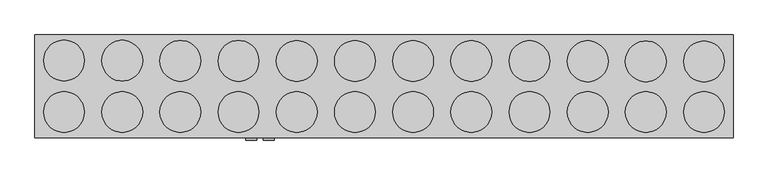
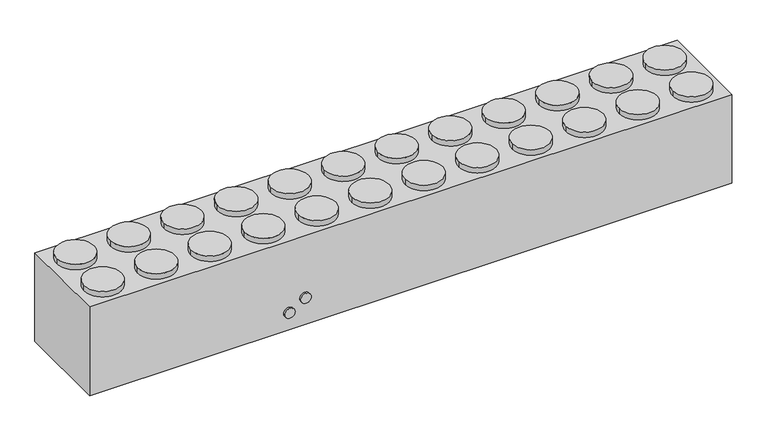
"""IFC4 building model written with IfcOpenShell, lengths in millimetres: proxy geometry."""

import ifcopenshell
import ifcopenshell.guid

model = None  # the IFC model being written
_history = None  # IfcOwnerHistory: only IFC2X3 demands one
_inside = {}  # id of a spatial element -> (the spatial element, [elements in it])
_under = {}  # id of a project, library or spatial element -> (it, [spatial elements below it])
_declared = {}  # id of a project -> (the project, [libraries it declares])
_typed = {}  # id of a type object -> (the type object, [elements of that type])
_made_of = {}  # id of a material, layer set ... -> (it, [elements and type objects made of it])


def new_model(schema):
    """Start an empty IFC model of exactly this schema.

    Asked for "IFC4X3", IfcOpenShell would pick the latest addendum, in which some entities
    have other attributes; the version numbers below select the first issue.
    IFC2X3 requires an IfcOwnerHistory on every rooted entity: one is made here for all.
    """
    global model, _history
    if schema == "IFC4X3":
        model = ifcopenshell.file(schema_version=(4, 3, 0, 0))
    else:
        model = ifcopenshell.file(schema=schema)
    _inside.clear()
    _under.clear()
    _declared.clear()
    _typed.clear()
    _made_of.clear()
    _history = None
    if model.schema == "IFC2X3":
        org = make("IfcOrganization", Name="unknown")
        user = make(
            "IfcPersonAndOrganization",
            ThePerson=make("IfcPerson", FamilyName="unknown"),
            TheOrganization=org,
        )
        app = make(
            "IfcApplication",
            ApplicationDeveloper=org,
            Version="unknown",
            ApplicationFullName="unknown",
            ApplicationIdentifier="unknown",
        )
        _history = make(
            "IfcOwnerHistory",
            OwningUser=user,
            OwningApplication=app,
            ChangeAction="ADDED",
            CreationDate=0,
        )
    return model


def make(cls, **values):
    """One entity of the class cls with the attributes given. An attribute that is None is left unset."""
    return model.create_entity(
        cls, **{name: value for name, value in values.items() if value is not None}
    )


def rooted(cls, **values):
    """An entity with a GlobalId (a new one), such as an element, a storey or a relation."""
    return make(cls, GlobalId=ifcopenshell.guid.new(), OwnerHistory=_history, **values)


def si_unit(unit_type, name, prefix=None):
    """IfcSIUnit, for example si_unit("LENGTHUNIT", "METRE", prefix="MILLI")."""
    return make("IfcSIUnit", UnitType=unit_type, Prefix=prefix, Name=name)


def assignment(units):
    """IfcUnitAssignment: the units of a project."""
    return None if units is None else make("IfcUnitAssignment", Units=units)


def point(xyz):
    """IfcCartesianPoint."""
    return None if xyz is None else make("IfcCartesianPoint", Coordinates=xyz)


def direction(xyz):
    """IfcDirection."""
    return None if xyz is None else make("IfcDirection", DirectionRatios=xyz)


def frame(location, z_axis=None, x_axis=None):
    """IfcAxis2Placement3D, a coordinate frame: its origin and axes. An axis left out is left unset."""
    return make(
        "IfcAxis2Placement3D",
        Location=point(location),
        Axis=direction(z_axis),
        RefDirection=direction(x_axis),
    )


def frame_2d(location, x_axis=None):
    """IfcAxis2Placement2D, a coordinate frame in the plane: its origin and x axis."""
    return make(
        "IfcAxis2Placement2D", Location=point(location), RefDirection=direction(x_axis)
    )


def origin():
    """The frame at (0, 0, 0) with its axes left unset."""
    return frame((0.0, 0.0, 0.0))


def origin_with_axes():
    """The frame at (0, 0, 0) with the z axis (0, 0, 1) and the x axis (1, 0, 0) written out."""
    return frame((0.0, 0.0, 0.0), z_axis=(0.0, 0.0, 1.0), x_axis=(1.0, 0.0, 0.0))


def place(relative_to, where):
    """IfcLocalPlacement: puts the frame where relative to a parent placement (None: the world)."""
    return make(
        "IfcLocalPlacement", PlacementRelTo=relative_to, RelativePlacement=where
    )


def context(
    kind, dimensions, precision=None, world=None, true_north=None, identifier=None
):
    """IfcGeometricRepresentationContext, for example the 3D "Model" context."""
    return make(
        "IfcGeometricRepresentationContext",
        ContextIdentifier=identifier,
        ContextType=kind,
        CoordinateSpaceDimension=dimensions,
        Precision=precision,
        WorldCoordinateSystem=world,
        TrueNorth=true_north,
    )


def project(units=None, contexts=None):
    """IfcProject with its units and contexts."""
    return rooted(
        "IfcProject",
        Name="project",
        RepresentationContexts=contexts,
        UnitsInContext=assignment(units),
    )


def spatial(cls, under=None, at=None, **own):
    """A site, building, storey or space (cls), placed at a placement, below another one or the project."""
    s = rooted(cls, ObjectPlacement=at, **own)
    if under is not None:
        _under.setdefault(under.id(), (under, []))[1].append(s)
    return s


def polyline(points):
    """IfcPolyline through the points."""
    return make("IfcPolyline", Points=[point(p) for p in points])


def circle_curve(where, radius):
    """IfcCircle in the frame where."""
    return make("IfcCircle", Position=where, Radius=radius)


def trimmed(basis, trim1, trim2, sense, master):
    """IfcTrimmedCurve: the piece of a basis curve between two trims."""
    return make(
        "IfcTrimmedCurve",
        BasisCurve=basis,
        Trim1=trim1,
        Trim2=trim2,
        SenseAgreement=sense,
        MasterRepresentation=master,
    )


def segment(curve, same_sense, transition):
    """IfcCompositeCurveSegment."""
    return make(
        "IfcCompositeCurveSegment",
        Transition=transition,
        SameSense=same_sense,
        ParentCurve=curve,
    )


def composite_curve(segments, self_intersect=None):
    """IfcCompositeCurve: segments joined end to end."""
    return make("IfcCompositeCurve", Segments=segments, SelfIntersect=self_intersect)


def outline(outer, holes=None, kind="AREA"):
    """IfcArbitraryClosedProfileDef: a profile drawn as a closed curve; with holes, ...WithVoids."""
    if holes is None:
        return make("IfcArbitraryClosedProfileDef", ProfileType=kind, OuterCurve=outer)
    return make(
        "IfcArbitraryProfileDefWithVoids",
        ProfileType=kind,
        OuterCurve=outer,
        InnerCurves=holes,
    )


def extrude(swept, where, along, depth):
    """IfcExtrudedAreaSolid: the profile swept, set in the frame where, extruded along a direction by depth."""
    return make(
        "IfcExtrudedAreaSolid",
        SweptArea=swept,
        Position=where,
        ExtrudedDirection=direction(along),
        Depth=depth,
    )


def shape(context_of_items, identifier, shape_type, items):
    """IfcShapeRepresentation: the items that make up one representation, for example the "Body"."""
    return make(
        "IfcShapeRepresentation",
        ContextOfItems=context_of_items,
        RepresentationIdentifier=identifier,
        RepresentationType=shape_type,
        Items=items,
    )


def source(mapping_origin, context_of_items, identifier, shape_type, items):
    """IfcRepresentationMap: a shape defined once, which mapped items show again and again."""
    return make(
        "IfcRepresentationMap",
        MappingOrigin=mapping_origin,
        MappedRepresentation=shape(context_of_items, identifier, shape_type, items),
    )


def transform(
    local_origin,
    x_axis=None,
    y_axis=None,
    z_axis=None,
    scale=None,
    scale2=None,
    scale3=None,
    uniform=True,
):
    """IfcCartesianTransformationOperator3D, or its non-uniform kind. x_axis, y_axis, z_axis: its Axis1, 2, 3."""
    if uniform:
        return make(
            "IfcCartesianTransformationOperator3D",
            Axis1=direction(x_axis),
            Axis2=direction(y_axis),
            LocalOrigin=point(local_origin),
            Scale=scale,
            Axis3=direction(z_axis),
        )
    return make(
        "IfcCartesianTransformationOperator3DnonUniform",
        Axis1=direction(x_axis),
        Axis2=direction(y_axis),
        LocalOrigin=point(local_origin),
        Scale=scale,
        Axis3=direction(z_axis),
        Scale2=scale2,
        Scale3=scale3,
    )


def mapped(mapping_source, mapping_target):
    """IfcMappedItem: shows the shape of a source again, moved by a transform."""
    return make(
        "IfcMappedItem", MappingSource=mapping_source, MappingTarget=mapping_target
    )


def made_of(thing, what):
    """Note that an element or type object is made of a material, layer set ...; save() writes the relation."""
    if what is not None:
        _made_of.setdefault(what.id(), (what, []))[1].append(thing)
    return thing


def element(
    cls,
    number,
    at=None,
    inside=None,
    cuts=None,
    type_object=None,
    material=None,
    context=None,
    identifier="Body",
    shape_type=None,
    held_by="IfcProductDefinitionShape",
    body=None,
    shapes=None,
    **own,
):
    """One element of the class cls, such as IfcWall. Its Tag is "e" and its number.

    at: its placement. inside: the storey or other place that contains it. cuts: it is an
    opening in that element (IfcRelVoidsElement). A single representation is given by context,
    identifier, shape_type and body (its items); several are given by shapes. held_by: the class
    of the entity that holds the representations. save() writes the other relations.
    """
    e = rooted(cls, Tag="e%d" % number, ObjectPlacement=at, **own)
    if body is not None:
        shapes = [shape(context, identifier, shape_type, body)]
    if shapes is not None:
        e.Representation = make(held_by, Representations=shapes)
    if inside is not None:
        _inside.setdefault(inside.id(), (inside, []))[1].append(e)
    if cuts is not None:
        rooted(
            "IfcRelVoidsElement", RelatingBuildingElement=cuts, RelatedOpeningElement=e
        )
    if type_object is not None:
        _typed.setdefault(type_object.id(), (type_object, []))[1].append(e)
    return made_of(e, material)


def aggregate(whole, parts):
    """IfcRelAggregates: a whole, such as a stair, and the parts it consists of."""
    return rooted("IfcRelAggregates", RelatingObject=whole, RelatedObjects=parts)


def save(model, path):
    """Write the relations noted so far, then the file.

    IfcRelAggregates (storeys below a building ...), IfcRelContainedInSpatialStructure (elements
    in a storey), IfcRelDefinesByType, IfcRelAssociatesMaterial and IfcRelDeclares: one each for
    every whole, place, type object, material and project.
    """
    for whole, parts in _under.values():
        aggregate(whole, parts)
    for where, things in _inside.values():
        rooted(
            "IfcRelContainedInSpatialStructure",
            RelatedElements=things,
            RelatingStructure=where,
        )
    for kind, things in _typed.values():
        rooted("IfcRelDefinesByType", RelatedObjects=things, RelatingType=kind)
    for what, things in _made_of.values():
        rooted("IfcRelAssociatesMaterial", RelatedObjects=things, RelatingMaterial=what)
    for by, libraries in _declared.values():
        rooted("IfcRelDeclares", RelatingContext=by, RelatedDefinitions=libraries)
    model.write(path)


def mechanical_equipment_2e95bd6b(model_context):
    return source(origin(), model_context, "Body", "SweptSolid", [
        extrude(outline(composite_curve([segment(trimmed(circle_curve(frame_2d((10676.7876345, -415.039732)), 457.2), [point((10219.5876345, -415.039732))], [point((11133.9876345, -415.039732))], False, "CARTESIAN"), True, "CONTINUOUS"), segment(trimmed(circle_curve(frame_2d((10676.7876345, -415.039732)), 457.2), [point((11133.9876345, -415.039732))], [point((10219.5876345, -415.039732))], False, "CARTESIAN"), True, "CONTINUOUS")], self_intersect=False)), frame((0.0, 0.0, 2286.0), z_axis=(0.0, 0.0, 1.0), x_axis=(1.0, 0.0, 0.0)), (0.0, 0.0, 1.0), 141.2875),
        extrude(outline(composite_curve([segment(trimmed(circle_curve(frame_2d((9371.0688845, -415.039732)), 457.2), [point((8913.8688845, -415.039732))], [point((9828.2688845, -415.039732))], False, "CARTESIAN"), True, "CONTINUOUS"), segment(trimmed(circle_curve(frame_2d((9371.0688845, -415.039732)), 457.2), [point((9828.2688845, -415.039732))], [point((8913.8688845, -415.039732))], False, "CARTESIAN"), True, "CONTINUOUS")], self_intersect=False)), frame((0.0, 0.0, 2286.0), z_axis=(0.0, 0.0, 1.0), x_axis=(1.0, 0.0, 0.0)), (0.0, 0.0, 1.0), 141.2875),
        extrude(outline(composite_curve([segment(trimmed(circle_curve(frame_2d((8065.3501345, -415.039732)), 457.2), [point((7608.1501345, -415.039732))], [point((8522.5501345, -415.039732))], False, "CARTESIAN"), True, "CONTINUOUS"), segment(trimmed(circle_curve(frame_2d((8065.3501345, -415.039732)), 457.2), [point((8522.5501345, -415.039732))], [point((7608.1501345, -415.039732))], False, "CARTESIAN"), True, "CONTINUOUS")], self_intersect=False)), frame((0.0, 0.0, 2286.0), z_axis=(0.0, 0.0, 1.0), x_axis=(1.0, 0.0, 0.0)), (0.0, 0.0, 1.0), 141.2875),
        extrude(outline(composite_curve([segment(trimmed(circle_curve(frame_2d((10676.7876345, 721.610268)), 457.2), [point((10219.5876345, 721.610268))], [point((11133.9876345, 721.610268))], False, "CARTESIAN"), True, "CONTINUOUS"), segment(trimmed(circle_curve(frame_2d((10676.7876345, 721.610268)), 457.2), [point((11133.9876345, 721.610268))], [point((10219.5876345, 721.610268))], False, "CARTESIAN"), True, "CONTINUOUS")], self_intersect=False)), frame((0.0, 0.0, 2286.0), z_axis=(0.0, 0.0, 1.0), x_axis=(1.0, 0.0, 0.0)), (0.0, 0.0, 1.0), 141.2875),
        extrude(outline(composite_curve([segment(trimmed(circle_curve(frame_2d((9371.0688845, 723.197768)), 457.2), [point((8913.8688845, 723.197768))], [point((9828.2688845, 723.197768))], False, "CARTESIAN"), True, "CONTINUOUS"), segment(trimmed(circle_curve(frame_2d((9371.0688845, 723.197768)), 457.2), [point((9828.2688845, 723.197768))], [point((8913.8688845, 723.197768))], False, "CARTESIAN"), True, "CONTINUOUS")], self_intersect=False)), frame((0.0, 0.0, 2286.0), z_axis=(0.0, 0.0, 1.0), x_axis=(1.0, 0.0, 0.0)), (0.0, 0.0, 1.0), 141.2875),
        extrude(outline(composite_curve([segment(trimmed(circle_curve(frame_2d((8065.3501345, 724.785268)), 457.2), [point((7608.1501345, 724.785268))], [point((8522.5501345, 724.785268))], False, "CARTESIAN"), True, "CONTINUOUS"), segment(trimmed(circle_curve(frame_2d((8065.3501345, 724.785268)), 457.2), [point((8522.5501345, 724.785268))], [point((7608.1501345, 724.785268))], False, "CARTESIAN"), True, "CONTINUOUS")], self_intersect=False)), frame((0.0, 0.0, 2286.0), z_axis=(0.0, 0.0, 1.0), x_axis=(1.0, 0.0, 0.0)), (0.0, 0.0, 1.0), 141.2875),
        extrude(outline(composite_curve([segment(trimmed(circle_curve(frame_2d((6759.6313845, -415.039732)), 457.2), [point((6302.4313845, -415.039732))], [point((7216.8313845, -415.039732))], False, "CARTESIAN"), True, "CONTINUOUS"), segment(trimmed(circle_curve(frame_2d((6759.6313845, -415.039732)), 457.2), [point((7216.8313845, -415.039732))], [point((6302.4313845, -415.039732))], False, "CARTESIAN"), True, "CONTINUOUS")], self_intersect=False)), frame((0.0, 0.0, 2286.0), z_axis=(0.0, 0.0, 1.0), x_axis=(1.0, 0.0, 0.0)), (0.0, 0.0, 1.0), 141.2875),
        extrude(outline(composite_curve([segment(trimmed(circle_curve(frame_2d((5453.9126345, -415.039732)), 457.2), [point((4996.7126345, -415.039732))], [point((5911.1126345, -415.039732))], False, "CARTESIAN"), True, "CONTINUOUS"), segment(trimmed(circle_curve(frame_2d((5453.9126345, -415.039732)), 457.2), [point((5911.1126345, -415.039732))], [point((4996.7126345, -415.039732))], False, "CARTESIAN"), True, "CONTINUOUS")], self_intersect=False)), frame((0.0, 0.0, 2286.0), z_axis=(0.0, 0.0, 1.0), x_axis=(1.0, 0.0, 0.0)), (0.0, 0.0, 1.0), 141.2875),
        extrude(outline(composite_curve([segment(trimmed(circle_curve(frame_2d((4148.1938845, -415.039732)), 457.2), [point((3690.9938845, -415.039732))], [point((4605.3938845, -415.039732))], False, "CARTESIAN"), True, "CONTINUOUS"), segment(trimmed(circle_curve(frame_2d((4148.1938845, -415.039732)), 457.2), [point((4605.3938845, -415.039732))], [point((3690.9938845, -415.039732))], False, "CARTESIAN"), True, "CONTINUOUS")], self_intersect=False)), frame((0.0, 0.0, 2286.0), z_axis=(0.0, 0.0, 1.0), x_axis=(1.0, 0.0, 0.0)), (0.0, 0.0, 1.0), 141.2875),
        extrude(outline(composite_curve([segment(trimmed(circle_curve(frame_2d((2842.4751345, -415.039732)), 457.2), [point((2385.2751345, -415.039732))], [point((3299.6751345, -415.039732))], False, "CARTESIAN"), True, "CONTINUOUS"), segment(trimmed(circle_curve(frame_2d((2842.4751345, -415.039732)), 457.2), [point((3299.6751345, -415.039732))], [point((2385.2751345, -415.039732))], False, "CARTESIAN"), True, "CONTINUOUS")], self_intersect=False)), frame((0.0, 0.0, 2286.0), z_axis=(0.0, 0.0, 1.0), x_axis=(1.0, 0.0, 0.0)), (0.0, 0.0, 1.0), 141.2875),
        extrude(outline(composite_curve([segment(trimmed(circle_curve(frame_2d((1536.7563845, -415.039732)), 457.2), [point((1079.5563845, -415.039732))], [point((1993.9563845, -415.039732))], False, "CARTESIAN"), True, "CONTINUOUS"), segment(trimmed(circle_curve(frame_2d((1536.7563845, -415.039732)), 457.2), [point((1993.9563845, -415.039732))], [point((1079.5563845, -415.039732))], False, "CARTESIAN"), True, "CONTINUOUS")], self_intersect=False)), frame((0.0, 0.0, 2286.0), z_axis=(0.0, 0.0, 1.0), x_axis=(1.0, 0.0, 0.0)), (0.0, 0.0, 1.0), 141.2875),
        extrude(outline(composite_curve([segment(trimmed(circle_curve(frame_2d((231.0376345, -415.039732)), 457.2), [point((-226.1623655, -415.039732))], [point((688.2376345, -415.039732))], False, "CARTESIAN"), True, "CONTINUOUS"), segment(trimmed(circle_curve(frame_2d((231.0376345, -415.039732)), 457.2), [point((688.2376345, -415.039732))], [point((-226.1623655, -415.039732))], False, "CARTESIAN"), True, "CONTINUOUS")], self_intersect=False)), frame((0.0, 0.0, 2286.0), z_axis=(0.0, 0.0, 1.0), x_axis=(1.0, 0.0, 0.0)), (0.0, 0.0, 1.0), 141.2875),
        extrude(outline(composite_curve([segment(trimmed(circle_curve(frame_2d((-1074.6811155, -415.039732)), 457.2), [point((-1531.8811155, -415.039732))], [point((-617.4811155, -415.039732))], False, "CARTESIAN"), True, "CONTINUOUS"), segment(trimmed(circle_curve(frame_2d((-1074.6811155, -415.039732)), 457.2), [point((-617.4811155, -415.039732))], [point((-1531.8811155, -415.039732))], False, "CARTESIAN"), True, "CONTINUOUS")], self_intersect=False)), frame((0.0, 0.0, 2286.0), z_axis=(0.0, 0.0, 1.0), x_axis=(1.0, 0.0, 0.0)), (0.0, 0.0, 1.0), 141.2875),
        extrude(outline(composite_curve([segment(trimmed(circle_curve(frame_2d((-2380.3998655, -415.039732)), 457.2), [point((-2837.5998655, -415.039732))], [point((-1923.1998655, -415.039732))], False, "CARTESIAN"), True, "CONTINUOUS"), segment(trimmed(circle_curve(frame_2d((-2380.3998655, -415.039732)), 457.2), [point((-1923.1998655, -415.039732))], [point((-2837.5998655, -415.039732))], False, "CARTESIAN"), True, "CONTINUOUS")], self_intersect=False)), frame((0.0, 0.0, 2286.0), z_axis=(0.0, 0.0, 1.0), x_axis=(1.0, 0.0, 0.0)), (0.0, 0.0, 1.0), 141.2875),
        extrude(outline(composite_curve([segment(trimmed(circle_curve(frame_2d((-3686.1186155, -415.039732)), 457.2), [point((-4143.3186155, -415.039732))], [point((-3228.9186155, -415.039732))], False, "CARTESIAN"), True, "CONTINUOUS"), segment(trimmed(circle_curve(frame_2d((-3686.1186155, -415.039732)), 457.2), [point((-3228.9186155, -415.039732))], [point((-4143.3186155, -415.039732))], False, "CARTESIAN"), True, "CONTINUOUS")], self_intersect=False)), frame((0.0, 0.0, 2286.0), z_axis=(0.0, 0.0, 1.0), x_axis=(1.0, 0.0, 0.0)), (0.0, 0.0, 1.0), 141.2875),
        extrude(outline(composite_curve([segment(trimmed(circle_curve(frame_2d((6759.6313845, 726.372768)), 457.2), [point((6302.4313845, 726.372768))], [point((7216.8313845, 726.372768))], False, "CARTESIAN"), True, "CONTINUOUS"), segment(trimmed(circle_curve(frame_2d((6759.6313845, 726.372768)), 457.2), [point((7216.8313845, 726.372768))], [point((6302.4313845, 726.372768))], False, "CARTESIAN"), True, "CONTINUOUS")], self_intersect=False)), frame((0.0, 0.0, 2286.0), z_axis=(0.0, 0.0, 1.0), x_axis=(1.0, 0.0, 0.0)), (0.0, 0.0, 1.0), 141.2875),
        extrude(outline(composite_curve([segment(trimmed(circle_curve(frame_2d((5453.9126345, 727.960268)), 457.2), [point((4996.7126345, 727.960268))], [point((5911.1126345, 727.960268))], False, "CARTESIAN"), True, "CONTINUOUS"), segment(trimmed(circle_curve(frame_2d((5453.9126345, 727.960268)), 457.2), [point((5911.1126345, 727.960268))], [point((4996.7126345, 727.960268))], False, "CARTESIAN"), True, "CONTINUOUS")], self_intersect=False)), frame((0.0, 0.0, 2286.0), z_axis=(0.0, 0.0, 1.0), x_axis=(1.0, 0.0, 0.0)), (0.0, 0.0, 1.0), 141.2875),
        extrude(outline(composite_curve([segment(trimmed(circle_curve(frame_2d((4148.1938845, 729.547768)), 457.2), [point((3690.9938845, 729.547768))], [point((4605.3938845, 729.547768))], False, "CARTESIAN"), True, "CONTINUOUS"), segment(trimmed(circle_curve(frame_2d((4148.1938845, 729.547768)), 457.2), [point((4605.3938845, 729.547768))], [point((3690.9938845, 729.547768))], False, "CARTESIAN"), True, "CONTINUOUS")], self_intersect=False)), frame((0.0, 0.0, 2286.0), z_axis=(0.0, 0.0, 1.0), x_axis=(1.0, 0.0, 0.0)), (0.0, 0.0, 1.0), 141.2875),
        extrude(outline(composite_curve([segment(trimmed(circle_curve(frame_2d((2842.4751345, 731.135268)), 457.2), [point((2385.2751345, 731.135268))], [point((3299.6751345, 731.135268))], False, "CARTESIAN"), True, "CONTINUOUS"), segment(trimmed(circle_curve(frame_2d((2842.4751345, 731.135268)), 457.2), [point((3299.6751345, 731.135268))], [point((2385.2751345, 731.135268))], False, "CARTESIAN"), True, "CONTINUOUS")], self_intersect=False)), frame((0.0, 0.0, 2286.0), z_axis=(0.0, 0.0, 1.0), x_axis=(1.0, 0.0, 0.0)), (0.0, 0.0, 1.0), 141.2875),
        extrude(outline(composite_curve([segment(trimmed(circle_curve(frame_2d((1536.7563845, 732.722768)), 457.2), [point((1079.5563845, 732.722768))], [point((1993.9563845, 732.722768))], False, "CARTESIAN"), True, "CONTINUOUS"), segment(trimmed(circle_curve(frame_2d((1536.7563845, 732.722768)), 457.2), [point((1993.9563845, 732.722768))], [point((1079.5563845, 732.722768))], False, "CARTESIAN"), True, "CONTINUOUS")], self_intersect=False)), frame((0.0, 0.0, 2286.0), z_axis=(0.0, 0.0, 1.0), x_axis=(1.0, 0.0, 0.0)), (0.0, 0.0, 1.0), 141.2875),
        extrude(outline(composite_curve([segment(trimmed(circle_curve(frame_2d((231.0376345, 734.310268)), 457.2), [point((-226.1623655, 734.310268))], [point((688.2376345, 734.310268))], False, "CARTESIAN"), True, "CONTINUOUS"), segment(trimmed(circle_curve(frame_2d((231.0376345, 734.310268)), 457.2), [point((688.2376345, 734.310268))], [point((-226.1623655, 734.310268))], False, "CARTESIAN"), True, "CONTINUOUS")], self_intersect=False)), frame((0.0, 0.0, 2286.0), z_axis=(0.0, 0.0, 1.0), x_axis=(1.0, 0.0, 0.0)), (0.0, 0.0, 1.0), 141.2875),
        extrude(outline(composite_curve([segment(trimmed(circle_curve(frame_2d((-1074.6811155, 735.897768)), 457.2), [point((-1531.8811155, 735.897768))], [point((-617.4811155, 735.897768))], False, "CARTESIAN"), True, "CONTINUOUS"), segment(trimmed(circle_curve(frame_2d((-1074.6811155, 735.897768)), 457.2), [point((-617.4811155, 735.897768))], [point((-1531.8811155, 735.897768))], False, "CARTESIAN"), True, "CONTINUOUS")], self_intersect=False)), frame((0.0, 0.0, 2286.0), z_axis=(0.0, 0.0, 1.0), x_axis=(1.0, 0.0, 0.0)), (0.0, 0.0, 1.0), 141.2875),
        extrude(outline(composite_curve([segment(trimmed(circle_curve(frame_2d((-2380.3998655, 737.485268)), 457.2), [point((-2837.5998655, 737.485268))], [point((-1923.1998655, 737.485268))], False, "CARTESIAN"), True, "CONTINUOUS"), segment(trimmed(circle_curve(frame_2d((-2380.3998655, 737.485268)), 457.2), [point((-1923.1998655, 737.485268))], [point((-2837.5998655, 737.485268))], False, "CARTESIAN"), True, "CONTINUOUS")], self_intersect=False)), frame((0.0, 0.0, 2286.0), z_axis=(0.0, 0.0, 1.0), x_axis=(1.0, 0.0, 0.0)), (0.0, 0.0, 1.0), 141.2875),
        extrude(outline(composite_curve([segment(trimmed(circle_curve(frame_2d((-3686.1186155, 739.072768)), 457.2), [point((-4143.3186155, 739.072768))], [point((-3228.9186155, 739.072768))], False, "CARTESIAN"), True, "CONTINUOUS"), segment(trimmed(circle_curve(frame_2d((-3686.1186155, 739.072768)), 457.2), [point((-3228.9186155, 739.072768))], [point((-4143.3186155, 739.072768))], False, "CARTESIAN"), True, "CONTINUOUS")], self_intersect=False)), frame((0.0, 0.0, 2286.0), z_axis=(0.0, 0.0, 1.0), x_axis=(1.0, 0.0, 0.0)), (0.0, 0.0, 1.0), 141.2875),
        extrude(outline(composite_curve([segment(trimmed(circle_curve(frame_2d((704.85, 910.8845095)), 127.0), [point((704.85, 1037.8845095))], [point((704.85, 783.8845095))], False, "CARTESIAN"), True, "CONTINUOUS"), segment(trimmed(circle_curve(frame_2d((704.85, 910.8845095)), 127.0), [point((704.85, 783.8845095))], [point((704.85, 1037.8845095))], False, "CARTESIAN"), True, "CONTINUOUS")], self_intersect=False)), frame((0.0, -1042.895982, 0.0), z_axis=(0.0, 1.0, 0.0), x_axis=(0.0, 0.0, 1.0)), (0.0, 0.0, 1.0), 50.8),
        extrude(outline(composite_curve([segment(trimmed(circle_curve(frame_2d((454.025, 517.1845095)), 127.0), [point((454.025, 644.1845095))], [point((454.025, 390.1845095))], False, "CARTESIAN"), True, "CONTINUOUS"), segment(trimmed(circle_curve(frame_2d((454.025, 517.1845095)), 127.0), [point((454.025, 390.1845095))], [point((454.025, 644.1845095))], False, "CARTESIAN"), True, "CONTINUOUS")], self_intersect=False)), frame((0.0, -1042.895982, 0.0), z_axis=(0.0, 1.0, 0.0), x_axis=(0.0, 0.0, 1.0)), (0.0, 0.0, 1.0), 50.8),
        extrude(outline(polyline([(11329.6470095, 1316.129018), (11329.6470095, -992.095982), (-4338.9779905, -992.095982), (-4338.9779905, 1316.129018), (11329.6470095, 1316.129018)])), origin_with_axes(), (0.0, 0.0, 1.0), 2286.0),
    ])


if __name__ == "__main__":
    model = new_model("IFC4")
    model_context = context("Model", 3, world=origin())
    ifc_project = project(units=[si_unit("LENGTHUNIT", "METRE", prefix="MILLI")], contexts=[model_context])
    site = spatial("IfcSite", under=ifc_project)
    building = spatial("IfcBuilding", under=site)
    placement = place(None, origin())
    mechanical_equipment_shape = mechanical_equipment_2e95bd6b(model_context)
    element("IfcBuildingElementProxy", 1, Name="Mechanical Equipment", at=placement, inside=building, context=model_context, shape_type="MappedRepresentation", body=[
        mapped(mechanical_equipment_shape, transform((0.0, 0.0, 0.0), x_axis=(1.0, 0.0, 0.0), y_axis=(0.0, 1.0, 0.0), z_axis=(0.0, 0.0, 1.0))),
    ])
    save(model, "model.ifc")
